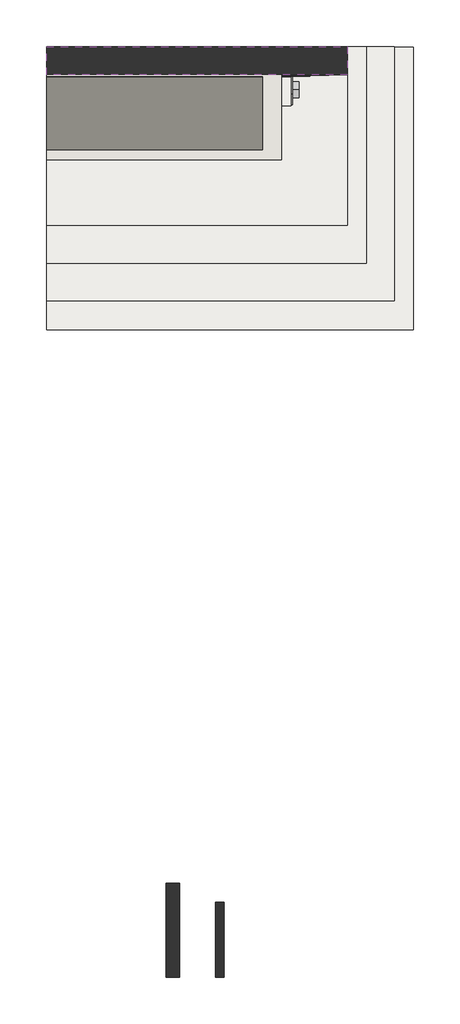
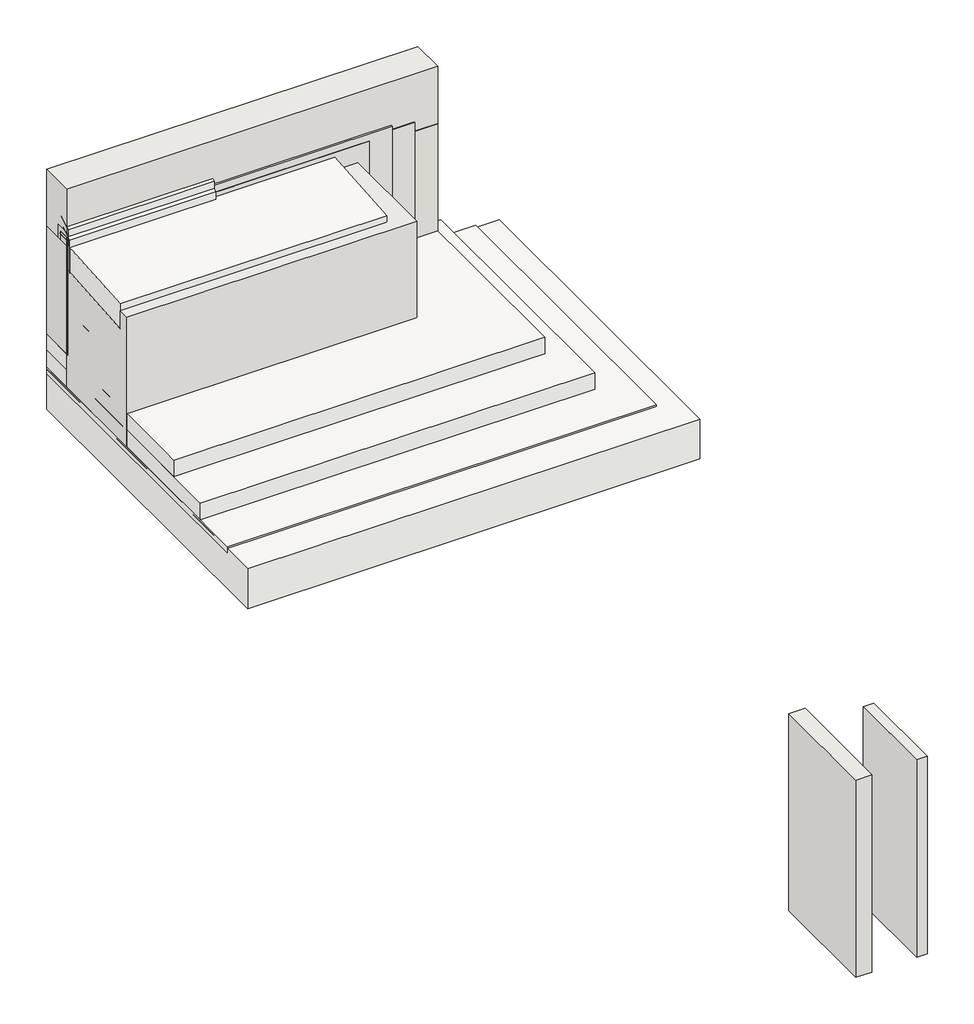
# One storey: 11 walls, 6 slabs, 2 coverings, 1 pipe segment.
"""IFC4 building model written with IfcOpenShell, lengths in millimetres."""

from ifc_helpers import new_model, si_unit, point, frame, frame_2d, origin, origin_with_axes, place, context, project, spatial, polyline, circle_curve, trimmed, segment, composite_curve, outline, extrude, faceted_brep, element, save

model = new_model("IFC4")

# Units and contexts
model_context = context("Model", 3, world=origin())
ifc_project = project(units=[si_unit("LENGTHUNIT", "METRE", prefix="MILLI")], contexts=[model_context])

# Site, building, storey
site = spatial("IfcSite", under=ifc_project)
building = spatial("IfcBuilding", under=site)
storey = spatial("IfcBuildingStorey", under=building, Elevation=0.0)

# Coverings
placement = place(None, origin())
element("IfcCovering", 1, at=placement, inside=storey, context=model_context, shape_type="SweptSolid", body=[
    extrude(outline(polyline([(-21892.541799, 1572.5612517), (-18192.541799, 1572.5612517), (-18192.541799, -1123.1282986), (-21892.541799, -1123.1282986), (-21892.541799, 1572.5612517)])), frame((0.0, 0.0, -40.0), z_axis=(0.0, 0.0, 1.0), x_axis=(1.0, 0.0, 0.0)), (0.0, 0.0, 1.0), 57.0),
])
element("IfcCovering", 2, at=placement, inside=storey, context=model_context, shape_type="SweptSolid", body=[
    extrude(outline(polyline([(-21892.541799, 1261.8717014), (-19292.541799, 1261.8717014), (-19292.541799, 947.8906034), (-21892.541799, 947.8906034), (-21892.541799, 1261.8717014)])), frame((0.0, 0.0, 670.0), z_axis=(0.0, 0.0, 1.0), x_axis=(1.0, 0.0, 0.0)), (0.0, 0.0, 1.0), 57.0),
])

# Pipe segment
element("IfcPipeSegment", 3, at=placement, inside=storey, context=model_context, shape_type="SweptSolid", body=[
    extrude(outline(composite_curve([segment(trimmed(circle_curve(frame_2d((1116.8717014, 541.2403561)), 84.1375), [point((1201.0092014, 541.2403561))], [point((1116.8717014, 457.1028561))], False, "CARTESIAN"), True, "CONTINUOUS"), segment(trimmed(circle_curve(frame_2d((1116.8717014, 541.2403561)), 84.1375), [point((1116.8717014, 457.1028561))], [point((1032.7342014, 541.2403561))], False, "CARTESIAN"), True, "CONTINUOUS"), segment(trimmed(circle_curve(frame_2d((1116.8717014, 541.2403561)), 84.1375), [point((1032.7342014, 541.2403561))], [point((1116.8717014, 625.3778561))], False, "CARTESIAN"), True, "CONTINUOUS"), segment(trimmed(circle_curve(frame_2d((1116.8717014, 541.2403561)), 84.1375), [point((1116.8717014, 625.3778561))], [point((1201.0092014, 541.2403561))], False, "CARTESIAN"), True, "CONTINUOUS")], self_intersect=False)), frame((-20007.7956792, 0.0, 0.0), z_axis=(1.0, 0.0, 0.0), x_axis=(0.0, 1.0, 0.0)), (0.0, 0.0, 1.0), 800.0),
])

# Slabs
element("IfcSlab", 4, at=placement, inside=storey, context=model_context, shape_type="SweptSolid", body=[
    extrude(outline(polyline([(-17992.541799, 1571.5972375), (-17992.541799, -1428.4027625), (-21892.541799, -1428.4027625), (-21892.541799, 1571.5972375), (-17992.541799, 1571.5972375)])), frame((0.0, 0.0, -362.0), z_axis=(0.0, 0.0, 1.0), x_axis=(1.0, 0.0, 0.0)), (0.0, 0.0, 1.0), 362.0),
])
element("IfcSlab", 5, at=placement, inside=storey, context=model_context, shape_type="SweptSolid", body=[
    extrude(outline(polyline([(-18492.541799, 1576.8717014), (-18492.541799, -723.1282986), (-21892.541799, -723.1282986), (-21892.541799, 1576.8717014), (-18492.541799, 1576.8717014)])), frame((0.0, 0.0, 20.0), z_axis=(0.0, 0.0, 1.0), x_axis=(1.0, 0.0, 0.0)), (0.0, 0.0, 1.0), 150.0),
])
element("IfcSlab", 6, at=placement, inside=storey, context=model_context, shape_type="SweptSolid", body=[
    extrude(outline(polyline([(-18692.541799, 1576.8717014), (-18692.541799, -323.1282986), (-21892.541799, -323.1282986), (-21892.541799, 1576.8717014), (-18692.541799, 1576.8717014)])), frame((0.0, 0.0, 170.0), z_axis=(0.0, 0.0, 1.0), x_axis=(1.0, 0.0, 0.0)), (0.0, 0.0, 1.0), 150.0),
])
element("IfcSlab", 7, at=placement, inside=storey, context=model_context, shape_type="Brep", body=[
    faceted_brep([(-19592.541799, 1260.0436265, 1095.0), (-19592.541799, 1260.0436265, 1200.0), (-19592.541799, 1260.0436265, 1320.0), (-19592.541799, 476.8717014, 1260.0), (-19592.541799, 476.8717014, 1200.0), (-19592.541799, 476.8717014, 1035.0), (-21892.541799, 476.8717014, 1260.0), (-21892.541799, 476.8717014, 1200.0), (-21892.541799, 476.8717014, 1035.0), (-21892.541799, 1260.0436265, 1320.0), (-21892.541799, 1260.0436265, 1200.0), (-21892.541799, 1260.0436265, 1095.0)], [[[0, 1, 2, 3, 4, 5]], [[5, 4, 3, 6, 7, 8]], [[8, 7, 6, 9, 10, 11]], [[11, 10, 9, 2, 1, 0]], [[9, 6, 3, 2]], [[11, 0, 5, 8]]]),
])
element("IfcSlab", 8, at=placement, inside=storey, context=model_context, shape_type="SweptSolid", body=[
    extrude(outline(polyline([(1255.3015316, 1165.3594786), (1255.3015316, 1465.3594786), (1355.3015316, 1525.3594786), (1355.3015316, 1225.3594786), (1255.3015316, 1165.3594786)])), frame((-21892.541799, 0.0, 0.0), z_axis=(1.0, 0.0, 0.0), x_axis=(0.0, 1.0, 0.0)), (0.0, 0.0, 1.0), 1260.0),
])
element("IfcSlab", 9, at=placement, inside=storey, context=model_context, shape_type="SweptSolid", body=[
    extrude(outline(polyline([(1228.5426064, 1085.0), (1228.5426064, 1385.0), (1328.5426064, 1445.0), (1328.5426064, 1145.0), (1228.5426064, 1085.0)])), frame((-21892.541799, 0.0, 0.0), z_axis=(1.0, 0.0, 0.0), x_axis=(0.0, 1.0, 0.0)), (0.0, 0.0, 1.0), 1260.0),
])

# Walls
element("IfcWall", 10, at=placement, inside=storey, context=model_context, shape_type="SweptSolid", body=[
    extrude(outline(polyline([(-21892.541799, 1576.8717014), (-18692.541799, 1576.8717014), (-18692.541799, 1276.8717014), (-21892.541799, 1276.8717014), (-21892.541799, 1576.8717014)])), frame((0.0, 0.0, 320.0), z_axis=(0.0, 0.0, 1.0), x_axis=(1.0, 0.0, 0.0)), (0.0, 0.0, 1.0), 980.0),
])
element("IfcWall", 11, at=placement, inside=storey, context=model_context, shape_type="SweptSolid", body=[
    extrude(outline(polyline([(-21892.541799, 1361.8717014), (-18892.541799, 1361.8717014), (-18892.541799, 1271.8717014), (-21892.541799, 1271.8717014), (-21892.541799, 1361.8717014)])), frame((0.0, 0.0, 320.0), z_axis=(0.0, 0.0, 1.0), x_axis=(1.0, 0.0, 0.0)), (0.0, 0.0, 1.0), 1065.0),
])
element("IfcWall", 12, at=placement, inside=storey, context=model_context, shape_type="SweptSolid", body=[
    extrude(outline(polyline([(-21892.541799, 1401.8717014), (-19092.541799, 1401.8717014), (-19092.541799, 1261.8717014), (-21892.541799, 1261.8717014), (-21892.541799, 1401.8717014)])), frame((0.0, 0.0, 320.0), z_axis=(0.0, 0.0, 1.0), x_axis=(1.0, 0.0, 0.0)), (0.0, 0.0, 1.0), 1105.0),
])
element("IfcWall", 13, at=placement, inside=storey, context=model_context, shape_type="SweptSolid", body=[
    extrude(outline(polyline([(-21892.541799, 1576.8717014), (-18692.541799, 1576.8717014), (-18692.541799, 1276.8717014), (-21892.541799, 1276.8717014), (-21892.541799, 1576.8717014)])), frame((0.0, 0.0, 1300.0), z_axis=(0.0, 0.0, 1.0), x_axis=(1.0, 0.0, 0.0)), (0.0, 0.0, 1.0), 520.0),
])
element("IfcWall", 14, at=placement, inside=storey, context=model_context, shape_type="Brep", body=[
    faceted_brep([(-19392.541799, 1276.8717014, 17.0), (-21892.541799, 1276.8717014, 17.0), (-21892.541799, 1276.8717014, 1200.0), (-19392.541799, 1276.8717014, 1200.0), (-21892.541799, 376.8717014, 17.0), (-19392.541799, 376.8717014, 17.0), (-19392.541799, 376.8717014, 1200.0), (-21892.541799, 376.8717014, 1200.0), (-21892.541799, 476.8717014, 1200.0), (-21892.541799, 476.8717014, 1035.0), (-21892.541799, 1260.0436265, 1095.0), (-21892.541799, 1260.0436265, 1200.0), (-19592.541799, 1260.0436265, 1200.0), (-19592.541799, 476.8717014, 1200.0), (-19592.541799, 1260.0436265, 1095.0), (-19592.541799, 476.8717014, 1035.0)], [[[0, 1, 2, 3]], [[4, 5, 6, 7]], [[1, 0, 5, 4]], [[2, 1, 4, 7, 8, 9, 10, 11]], [[3, 2, 11, 12, 13, 8, 7, 6]], [[0, 3, 6, 5]], [[14, 15, 13, 12]], [[15, 9, 8, 13]], [[10, 14, 12, 11]], [[15, 14, 10, 9]]]),
])
element("IfcWall", 15, at=placement, inside=storey, context=model_context, shape_type="SweptSolid", body=[
    extrude(outline(polyline([(-19392.541799, 1276.8717014), (-19275.3697878, 1276.8717014), (-19275.3697878, 1076.8717014), (-19392.541799, 1076.8717014), (-19392.541799, 1276.8717014)])), frame((0.0, 0.0, 320.0), z_axis=(0.0, 0.0, 1.0), x_axis=(1.0, 0.0, 0.0)), (0.0, 0.0, 1.0), 400.0),
])
element("IfcWall", 16, at=placement, inside=storey, context=model_context, shape_type="SweptSolid", body=[
    extrude(outline(polyline([(-19392.541799, 1156.8717014), (-19275.3697878, 1156.8717014), (-19275.3697878, 956.8717014), (-19392.541799, 956.8717014), (-19392.541799, 1156.8717014)])), frame((0.0, 0.0, 320.0), z_axis=(0.0, 0.0, 1.0), x_axis=(1.0, 0.0, 0.0)), (0.0, 0.0, 1.0), 400.0),
])
element("IfcWall", 17, at=placement, inside=storey, context=model_context, shape_type="SweptSolid", body=[
    extrude(outline(polyline([(-19392.541799, 1066.8717014), (-19292.541799, 1066.8717014), (-19292.541799, 946.8717014), (-19392.541799, 946.8717014), (-19392.541799, 1066.8717014)])), frame((0.0, 0.0, 320.0), z_axis=(0.0, 0.0, 1.0), x_axis=(1.0, 0.0, 0.0)), (0.0, 0.0, 1.0), 400.0),
])
element("IfcWall", 18, at=placement, inside=storey, context=model_context, shape_type="SweptSolid", body=[
    extrude(outline(polyline([(-21892.541799, 1376.8717014), (-19292.541799, 1376.8717014), (-19292.541799, 1256.8717014), (-21892.541799, 1256.8717014), (-21892.541799, 1376.8717014)])), frame((0.0, 0.0, 320.0), z_axis=(0.0, 0.0, 1.0), x_axis=(1.0, 0.0, 0.0)), (0.0, 0.0, 1.0), 1040.0),
])
element("IfcWall", 19, at=placement, inside=storey, context=model_context, shape_type="SweptSolid", body=[
    extrude(outline(polyline([(-20479.8017706, -7308.7392797), (-20479.8017706, -8308.7392797), (-20619.8017706, -8308.7392797), (-20619.8017706, -7308.7392797), (-20479.8017706, -7308.7392797)])), origin_with_axes(), (0.0, 0.0, 1.0), 1800.0),
])
element("IfcWall", 20, at=placement, inside=storey, context=model_context, shape_type="SweptSolid", body=[
    extrude(outline(polyline([(-20004.8017706, -7508.7392797), (-20004.8017706, -8308.7392797), (-20094.8017706, -8308.7392797), (-20094.8017706, -7508.7392797), (-20004.8017706, -7508.7392797)])), origin_with_axes(), (0.0, 0.0, 1.0), 1800.0),
])

save(model, "model.ifc")
